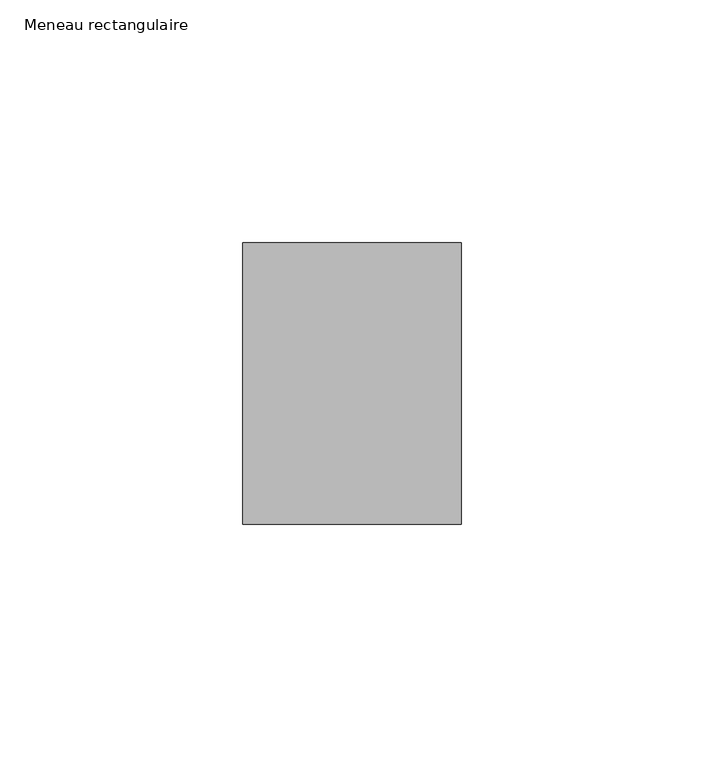
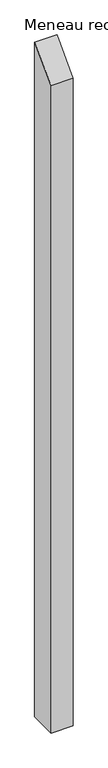
"""IFC4 building model written with IfcOpenShell, lengths in millimetres: member geometry, Meneau rectangulaire."""

from ifc_helpers import new_model, si_unit, frame, origin, place, context, project, spatial, polyline, outline, extrude, source, transform, mapped, element, save


def meneau_rectangulaire_e00ba28b(model_context):
    return source(origin(), model_context, "Body", "SweptSolid", [
        extrude(outline(polyline([(-29.0, -29.0), (29.0, 29.0), (29.0, -1422.7500002), (-29.0, -1422.7500002), (-29.0, -29.0)])), frame((-45.0, 0.0, 0.0), z_axis=(1.0, 0.0, 0.0), x_axis=(0.0, 1.0, 0.0)), (0.0, 0.0, 1.0), 45.0),
    ])


if __name__ == "__main__":
    model = new_model("IFC4")
    model_context = context("Model", 3, world=origin())
    ifc_project = project(units=[si_unit("LENGTHUNIT", "METRE", prefix="MILLI")], contexts=[model_context])
    site = spatial("IfcSite", under=ifc_project)
    building = spatial("IfcBuilding", under=site)
    placement = place(None, origin())
    meneau_rectangulaire_shape = meneau_rectangulaire_e00ba28b(model_context)
    element("IfcMember", 1, ObjectType="Meneau rectangulaire", at=placement, inside=building, context=model_context, shape_type="MappedRepresentation", body=[
        mapped(meneau_rectangulaire_shape, transform((0.0, 0.0, 0.0), x_axis=(1.0, 0.0, 0.0), y_axis=(0.0, 1.0, 0.0), z_axis=(0.0, 0.0, 1.0))),
    ])
    save(model, "model.ifc")
